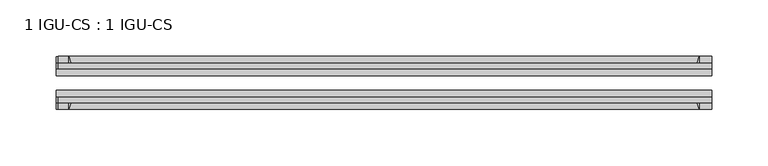
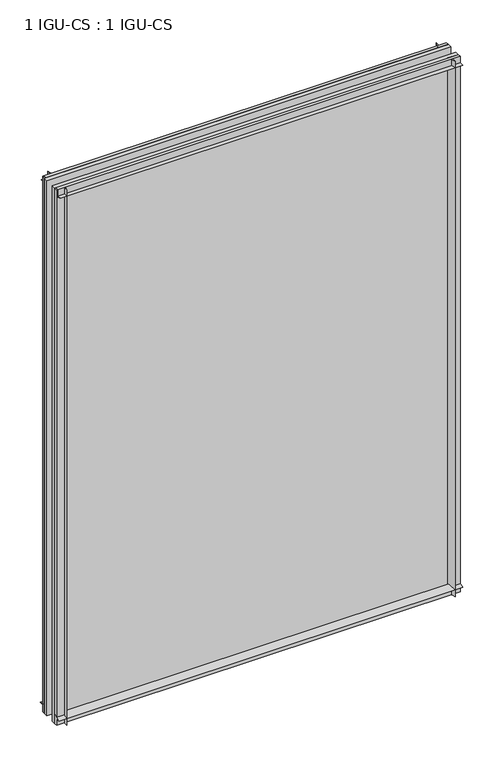
"""IFC4 building model written with IfcOpenShell, lengths in millimetres: plate geometry, 1 IGU-CS : 1 IGU-CS."""

import ifcopenshell
import ifcopenshell.guid

model = None  # the IFC model being written
_history = None  # IfcOwnerHistory: only IFC2X3 demands one
_inside = {}  # id of a spatial element -> (the spatial element, [elements in it])
_under = {}  # id of a project, library or spatial element -> (it, [spatial elements below it])
_declared = {}  # id of a project -> (the project, [libraries it declares])
_typed = {}  # id of a type object -> (the type object, [elements of that type])
_made_of = {}  # id of a material, layer set ... -> (it, [elements and type objects made of it])


def new_model(schema):
    """Start an empty IFC model of exactly this schema.

    Asked for "IFC4X3", IfcOpenShell would pick the latest addendum, in which some entities
    have other attributes; the version numbers below select the first issue.
    IFC2X3 requires an IfcOwnerHistory on every rooted entity: one is made here for all.
    """
    global model, _history
    if schema == "IFC4X3":
        model = ifcopenshell.file(schema_version=(4, 3, 0, 0))
    else:
        model = ifcopenshell.file(schema=schema)
    _inside.clear()
    _under.clear()
    _declared.clear()
    _typed.clear()
    _made_of.clear()
    _history = None
    if model.schema == "IFC2X3":
        org = make("IfcOrganization", Name="unknown")
        user = make(
            "IfcPersonAndOrganization",
            ThePerson=make("IfcPerson", FamilyName="unknown"),
            TheOrganization=org,
        )
        app = make(
            "IfcApplication",
            ApplicationDeveloper=org,
            Version="unknown",
            ApplicationFullName="unknown",
            ApplicationIdentifier="unknown",
        )
        _history = make(
            "IfcOwnerHistory",
            OwningUser=user,
            OwningApplication=app,
            ChangeAction="ADDED",
            CreationDate=0,
        )
    return model


def make(cls, **values):
    """One entity of the class cls with the attributes given. An attribute that is None is left unset."""
    return model.create_entity(
        cls, **{name: value for name, value in values.items() if value is not None}
    )


def rooted(cls, **values):
    """An entity with a GlobalId (a new one), such as an element, a storey or a relation."""
    return make(cls, GlobalId=ifcopenshell.guid.new(), OwnerHistory=_history, **values)


def si_unit(unit_type, name, prefix=None):
    """IfcSIUnit, for example si_unit("LENGTHUNIT", "METRE", prefix="MILLI")."""
    return make("IfcSIUnit", UnitType=unit_type, Prefix=prefix, Name=name)


def assignment(units):
    """IfcUnitAssignment: the units of a project."""
    return None if units is None else make("IfcUnitAssignment", Units=units)


def point(xyz):
    """IfcCartesianPoint."""
    return None if xyz is None else make("IfcCartesianPoint", Coordinates=xyz)


def direction(xyz):
    """IfcDirection."""
    return None if xyz is None else make("IfcDirection", DirectionRatios=xyz)


def frame(location, z_axis=None, x_axis=None):
    """IfcAxis2Placement3D, a coordinate frame: its origin and axes. An axis left out is left unset."""
    return make(
        "IfcAxis2Placement3D",
        Location=point(location),
        Axis=direction(z_axis),
        RefDirection=direction(x_axis),
    )


def frame_2d(location, x_axis=None):
    """IfcAxis2Placement2D, a coordinate frame in the plane: its origin and x axis."""
    return make(
        "IfcAxis2Placement2D", Location=point(location), RefDirection=direction(x_axis)
    )


def origin():
    """The frame at (0, 0, 0) with its axes left unset."""
    return frame((0.0, 0.0, 0.0))


def place(relative_to, where):
    """IfcLocalPlacement: puts the frame where relative to a parent placement (None: the world)."""
    return make(
        "IfcLocalPlacement", PlacementRelTo=relative_to, RelativePlacement=where
    )


def context(
    kind, dimensions, precision=None, world=None, true_north=None, identifier=None
):
    """IfcGeometricRepresentationContext, for example the 3D "Model" context."""
    return make(
        "IfcGeometricRepresentationContext",
        ContextIdentifier=identifier,
        ContextType=kind,
        CoordinateSpaceDimension=dimensions,
        Precision=precision,
        WorldCoordinateSystem=world,
        TrueNorth=true_north,
    )


def project(units=None, contexts=None):
    """IfcProject with its units and contexts."""
    return rooted(
        "IfcProject",
        Name="project",
        RepresentationContexts=contexts,
        UnitsInContext=assignment(units),
    )


def spatial(cls, under=None, at=None, **own):
    """A site, building, storey or space (cls), placed at a placement, below another one or the project."""
    s = rooted(cls, ObjectPlacement=at, **own)
    if under is not None:
        _under.setdefault(under.id(), (under, []))[1].append(s)
    return s


def polyline(points):
    """IfcPolyline through the points."""
    return make("IfcPolyline", Points=[point(p) for p in points])


def circle_curve(where, radius):
    """IfcCircle in the frame where."""
    return make("IfcCircle", Position=where, Radius=radius)


def trimmed(basis, trim1, trim2, sense, master):
    """IfcTrimmedCurve: the piece of a basis curve between two trims."""
    return make(
        "IfcTrimmedCurve",
        BasisCurve=basis,
        Trim1=trim1,
        Trim2=trim2,
        SenseAgreement=sense,
        MasterRepresentation=master,
    )


def segment(curve, same_sense, transition):
    """IfcCompositeCurveSegment."""
    return make(
        "IfcCompositeCurveSegment",
        Transition=transition,
        SameSense=same_sense,
        ParentCurve=curve,
    )


def composite_curve(segments, self_intersect=None):
    """IfcCompositeCurve: segments joined end to end."""
    return make("IfcCompositeCurve", Segments=segments, SelfIntersect=self_intersect)


def outline(outer, holes=None, kind="AREA"):
    """IfcArbitraryClosedProfileDef: a profile drawn as a closed curve; with holes, ...WithVoids."""
    if holes is None:
        return make("IfcArbitraryClosedProfileDef", ProfileType=kind, OuterCurve=outer)
    return make(
        "IfcArbitraryProfileDefWithVoids",
        ProfileType=kind,
        OuterCurve=outer,
        InnerCurves=holes,
    )


def extrude(swept, where, along, depth):
    """IfcExtrudedAreaSolid: the profile swept, set in the frame where, extruded along a direction by depth."""
    return make(
        "IfcExtrudedAreaSolid",
        SweptArea=swept,
        Position=where,
        ExtrudedDirection=direction(along),
        Depth=depth,
    )


def shape(context_of_items, identifier, shape_type, items):
    """IfcShapeRepresentation: the items that make up one representation, for example the "Body"."""
    return make(
        "IfcShapeRepresentation",
        ContextOfItems=context_of_items,
        RepresentationIdentifier=identifier,
        RepresentationType=shape_type,
        Items=items,
    )


def source(mapping_origin, context_of_items, identifier, shape_type, items):
    """IfcRepresentationMap: a shape defined once, which mapped items show again and again."""
    return make(
        "IfcRepresentationMap",
        MappingOrigin=mapping_origin,
        MappedRepresentation=shape(context_of_items, identifier, shape_type, items),
    )


def transform(
    local_origin,
    x_axis=None,
    y_axis=None,
    z_axis=None,
    scale=None,
    scale2=None,
    scale3=None,
    uniform=True,
):
    """IfcCartesianTransformationOperator3D, or its non-uniform kind. x_axis, y_axis, z_axis: its Axis1, 2, 3."""
    if uniform:
        return make(
            "IfcCartesianTransformationOperator3D",
            Axis1=direction(x_axis),
            Axis2=direction(y_axis),
            LocalOrigin=point(local_origin),
            Scale=scale,
            Axis3=direction(z_axis),
        )
    return make(
        "IfcCartesianTransformationOperator3DnonUniform",
        Axis1=direction(x_axis),
        Axis2=direction(y_axis),
        LocalOrigin=point(local_origin),
        Scale=scale,
        Axis3=direction(z_axis),
        Scale2=scale2,
        Scale3=scale3,
    )


def mapped(mapping_source, mapping_target):
    """IfcMappedItem: shows the shape of a source again, moved by a transform."""
    return make(
        "IfcMappedItem", MappingSource=mapping_source, MappingTarget=mapping_target
    )


def made_of(thing, what):
    """Note that an element or type object is made of a material, layer set ...; save() writes the relation."""
    if what is not None:
        _made_of.setdefault(what.id(), (what, []))[1].append(thing)
    return thing


def element(
    cls,
    number,
    at=None,
    inside=None,
    cuts=None,
    type_object=None,
    material=None,
    context=None,
    identifier="Body",
    shape_type=None,
    held_by="IfcProductDefinitionShape",
    body=None,
    shapes=None,
    **own,
):
    """One element of the class cls, such as IfcWall. Its Tag is "e" and its number.

    at: its placement. inside: the storey or other place that contains it. cuts: it is an
    opening in that element (IfcRelVoidsElement). A single representation is given by context,
    identifier, shape_type and body (its items); several are given by shapes. held_by: the class
    of the entity that holds the representations. save() writes the other relations.
    """
    e = rooted(cls, Tag="e%d" % number, ObjectPlacement=at, **own)
    if body is not None:
        shapes = [shape(context, identifier, shape_type, body)]
    if shapes is not None:
        e.Representation = make(held_by, Representations=shapes)
    if inside is not None:
        _inside.setdefault(inside.id(), (inside, []))[1].append(e)
    if cuts is not None:
        rooted(
            "IfcRelVoidsElement", RelatingBuildingElement=cuts, RelatedOpeningElement=e
        )
    if type_object is not None:
        _typed.setdefault(type_object.id(), (type_object, []))[1].append(e)
    return made_of(e, material)


def aggregate(whole, parts):
    """IfcRelAggregates: a whole, such as a stair, and the parts it consists of."""
    return rooted("IfcRelAggregates", RelatingObject=whole, RelatedObjects=parts)


def save(model, path):
    """Write the relations noted so far, then the file.

    IfcRelAggregates (storeys below a building ...), IfcRelContainedInSpatialStructure (elements
    in a storey), IfcRelDefinesByType, IfcRelAssociatesMaterial and IfcRelDeclares: one each for
    every whole, place, type object, material and project.
    """
    for whole, parts in _under.values():
        aggregate(whole, parts)
    for where, things in _inside.values():
        rooted(
            "IfcRelContainedInSpatialStructure",
            RelatedElements=things,
            RelatingStructure=where,
        )
    for kind, things in _typed.values():
        rooted("IfcRelDefinesByType", RelatedObjects=things, RelatingType=kind)
    for what, things in _made_of.values():
        rooted("IfcRelAssociatesMaterial", RelatedObjects=things, RelatingMaterial=what)
    for by, libraries in _declared.values():
        rooted("IfcRelDeclares", RelatingContext=by, RelatedDefinitions=libraries)
    model.write(path)


def plate_1_igu_cs_1_igu_cs_8d044eb1(model_context):
    return source(origin(), model_context, "Body", "SweptSolid", [
        extrude(outline(composite_curve([segment(polyline([(-44.45, 790.6458595), (-44.45, 804.06875), (-39.6748, 804.06875), (-39.6748, 794.54375), (-33.7058, 794.54375)]), True, "CONTINUOUS"), segment(trimmed(circle_curve(frame_2d((-28.0741797, 762.2639961)), 32.7673262), [point((-33.7058, 794.54375))], [point((-44.45, 790.6458595))], True, "CARTESIAN"), True, "CONTINUOUS")], self_intersect=False)), frame((-288.7271746, 0.0, 0.0), z_axis=(1.0, 0.0, 0.0), x_axis=(0.0, 1.0, 0.0)), (0.0, 0.0, 1.0), 579.2396746),
        extrude(outline(composite_curve([segment(trimmed(circle_curve(frame_2d((-86.2258203, 762.2639961)), 32.7673262), [point((-69.85, 790.6458595))], [point((-80.5942, 794.54375))], True, "CARTESIAN"), True, "CONTINUOUS"), segment(polyline([(-80.5942, 794.54375), (-74.6252, 794.54375), (-74.6252, 804.06875), (-69.85, 804.06875), (-69.85, 790.6458595)]), True, "CONTINUOUS")], self_intersect=False)), frame((-288.7271746, 0.0, 0.0), z_axis=(1.0, 0.0, 0.0), x_axis=(0.0, 1.0, 0.0)), (0.0, 0.0, 1.0), 579.2396746),
        extrude(outline(composite_curve([segment(trimmed(circle_curve(frame_2d((-28.0741797, 32.2797688)), 32.7673262), [point((-44.45, 3.8979053))], [point((-33.7058, 1.48e-05))], True, "CARTESIAN"), True, "CONTINUOUS"), segment(polyline([(-33.7058, 1.48e-05), (-39.6748, 1.48e-05), (-39.6748, -10.31875), (-44.45, -10.31875), (-44.45, 3.8979053)]), True, "CONTINUOUS")], self_intersect=False)), frame((-290.5125, 0.0, 0.0), z_axis=(1.0, 0.0, 0.0), x_axis=(0.0, 1.0, 0.0)), (0.0, 0.0, 1.0), 581.025),
        extrude(outline(composite_curve([segment(trimmed(circle_curve(frame_2d((-86.2258203, 32.2797602)), 32.7673262), [point((-80.5942354, 0.0))], [point((-69.85, 3.8978967))], True, "CARTESIAN"), True, "CONTINUOUS"), segment(polyline([(-69.85, 3.8978967), (-69.85, -10.31875), (-74.6252, -10.31875), (-74.6252, 0.0), (-80.5942354, 0.0)]), True, "CONTINUOUS")], self_intersect=False)), frame((-290.5125, 0.0, 0.0), z_axis=(1.0, 0.0, 0.0), x_axis=(0.0, 1.0, 0.0)), (0.0, 0.0, 1.0), 581.025),
        extrude(outline(composite_curve([segment(polyline([(290.5125, -39.6748), (290.5125, -44.45), (275.5021095, -44.45)]), True, "CONTINUOUS"), segment(trimmed(circle_curve(frame_2d((247.120246, -28.0741797)), 32.7673262), [point((275.5021095, -44.45))], [point((279.4, -33.7058))], True, "CARTESIAN"), True, "CONTINUOUS"), segment(polyline([(279.4, -33.7058), (279.4, -39.6748), (290.5125, -39.6748)]), True, "CONTINUOUS")], self_intersect=False)), frame((0.0, 0.0, -10.31875), z_axis=(0.0, 0.0, 1.0), x_axis=(1.0, 0.0, 0.0)), (0.0, 0.0, 1.0), 814.3875),
        extrude(outline(composite_curve([segment(polyline([(290.5125, -69.85), (290.5125, -74.6252), (279.4, -74.6252), (279.4, -80.5942)]), True, "CONTINUOUS"), segment(trimmed(circle_curve(frame_2d((247.120246, -86.2258203)), 32.7673262), [point((279.4, -80.5942))], [point((275.5021095, -69.85))], True, "CARTESIAN"), True, "CONTINUOUS"), segment(polyline([(275.5021095, -69.85), (290.5125, -69.85)]), True, "CONTINUOUS")], self_intersect=False)), frame((0.0, 0.0, -10.31875), z_axis=(0.0, 0.0, 1.0), x_axis=(1.0, 0.0, 0.0)), (0.0, 0.0, 1.0), 814.3875),
        extrude(outline(composite_curve([segment(polyline([(-290.5125, -39.6748), (-279.4, -39.6748), (-279.4, -33.7058)]), True, "CONTINUOUS"), segment(trimmed(circle_curve(frame_2d((-247.120246, -28.0741797)), 32.7673262), [point((-279.4, -33.7058))], [point((-275.5021095, -44.45))], True, "CARTESIAN"), True, "CONTINUOUS"), segment(polyline([(-275.5021095, -44.45), (-290.5125, -44.45), (-290.5125, -39.6748)]), True, "CONTINUOUS")], self_intersect=False)), frame((0.0, 0.0, -10.31875), z_axis=(0.0, 0.0, 1.0), x_axis=(1.0, 0.0, 0.0)), (0.0, 0.0, 1.0), 814.3875),
        extrude(outline(composite_curve([segment(polyline([(-290.5125, -74.6252), (-290.5125, -69.85), (-275.5021095, -69.85)]), True, "CONTINUOUS"), segment(trimmed(circle_curve(frame_2d((-247.120246, -86.2258203)), 32.7673262), [point((-275.5021095, -69.85))], [point((-279.4, -80.5942))], True, "CARTESIAN"), True, "CONTINUOUS"), segment(polyline([(-279.4, -80.5942), (-279.4, -74.6252), (-290.5125, -74.6252)]), True, "CONTINUOUS")], self_intersect=False)), frame((0.0, 0.0, -10.31875), z_axis=(0.0, 0.0, 1.0), x_axis=(1.0, 0.0, 0.0)), (0.0, 0.0, 1.0), 814.3875),
        extrude(outline(polyline([(-290.5125, -69.85), (-290.5125, -63.5508), (290.5125, -63.5508), (290.5125, -69.85), (-290.5125, -69.85)])), frame((0.0, 0.0, -10.31875), z_axis=(0.0, 0.0, 1.0), x_axis=(1.0, 0.0, 0.0)), (0.0, 0.0, 1.0), 814.3875),
        extrude(outline(polyline([(290.5125, -50.7492), (-290.5125, -50.7492), (-290.5125, -44.45), (290.5125, -44.45), (290.5125, -50.7492)])), frame((0.0, 0.0, -10.31875), z_axis=(0.0, 0.0, 1.0), x_axis=(1.0, 0.0, 0.0)), (0.0, 0.0, 1.0), 814.3875),
    ])


if __name__ == "__main__":
    model = new_model("IFC4")
    model_context = context("Model", 3, world=origin())
    ifc_project = project(units=[si_unit("LENGTHUNIT", "METRE", prefix="MILLI")], contexts=[model_context])
    site = spatial("IfcSite", under=ifc_project)
    building = spatial("IfcBuilding", under=site)
    placement = place(None, origin())
    plate_1_igu_cs_1_igu_cs_shape = plate_1_igu_cs_1_igu_cs_8d044eb1(model_context)
    element("IfcPlate", 1, ObjectType="1 IGU-CS : 1 IGU-CS", at=placement, inside=building, context=model_context, shape_type="MappedRepresentation", body=[
        mapped(plate_1_igu_cs_1_igu_cs_shape, transform((0.0, 0.0, 0.0), x_axis=(1.0, 0.0, 0.0), y_axis=(0.0, 1.0, 0.0), z_axis=(0.0, 0.0, 1.0))),
    ])
    save(model, "model.ifc")
